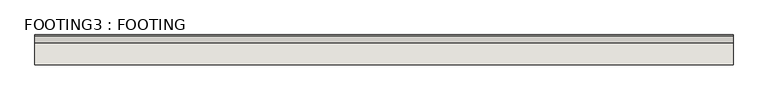
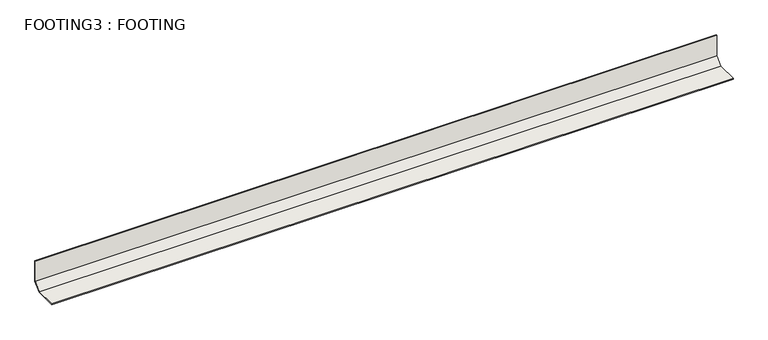
"""IFC4 building model written with IfcOpenShell, lengths in millimetres: wall geometry, FOOTING3 : FOOTING."""

from ifc_helpers import new_model, si_unit, frame, origin, place, context, project, spatial, polyline, outline, extrude, source, transform, mapped, element, save


def footing3_footing_a28367b9(model_context):
    return source(origin(), model_context, "Body", "SweptSolid", [
        extrude(outline(polyline([(5125.1992817, 735.7481757), (5125.1992817, 659.5481757), (5099.7992817, 634.1481757), (5023.5992817, 634.1481757), (5023.5992817, 637.3231757), (5098.4841537, 637.3231757), (5122.0242817, 660.8633038), (5122.0242817, 735.7481757), (5125.1992817, 735.7481757)])), frame((-1698.5606997, 0.0, 0.0), z_axis=(1.0, 0.0, 0.0), x_axis=(0.0, 1.0, 0.0)), (0.0, 0.0, 1.0), 2374.9),
    ])


if __name__ == "__main__":
    model = new_model("IFC4")
    model_context = context("Model", 3, world=origin())
    ifc_project = project(units=[si_unit("LENGTHUNIT", "METRE", prefix="MILLI")], contexts=[model_context])
    site = spatial("IfcSite", under=ifc_project)
    building = spatial("IfcBuilding", under=site)
    placement = place(None, origin())
    footing3_footing_shape = footing3_footing_a28367b9(model_context)
    element("IfcWall", 1, ObjectType="FOOTING3 : FOOTING", at=placement, inside=building, context=model_context, shape_type="MappedRepresentation", body=[
        mapped(footing3_footing_shape, transform((0.0, 0.0, 0.0), x_axis=(1.0, 0.0, 0.0), y_axis=(0.0, 1.0, 0.0), z_axis=(0.0, 0.0, 1.0))),
    ])
    save(model, "model.ifc")
